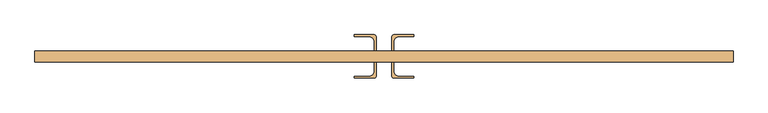
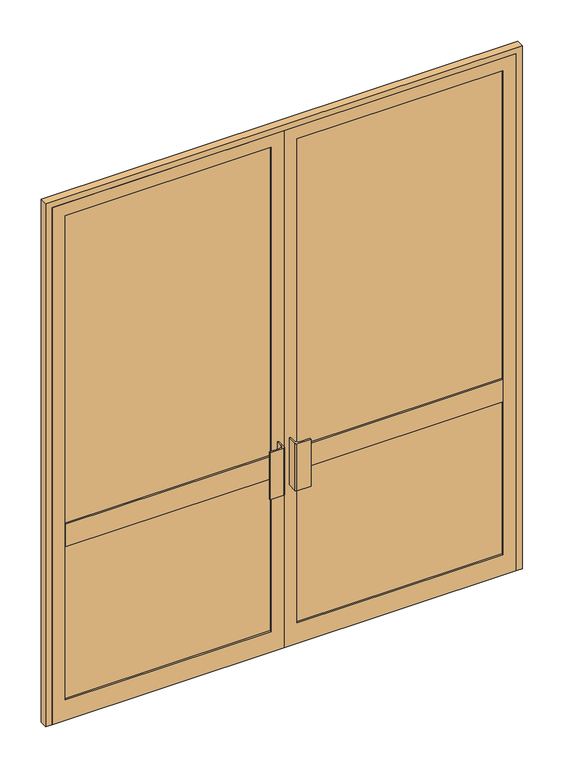
"""IFC4 building model written with IfcOpenShell, lengths in millimetres: door geometry."""

import ifcopenshell
import ifcopenshell.guid

model = None  # the IFC model being written
_history = None  # IfcOwnerHistory: only IFC2X3 demands one
_inside = {}  # id of a spatial element -> (the spatial element, [elements in it])
_under = {}  # id of a project, library or spatial element -> (it, [spatial elements below it])
_declared = {}  # id of a project -> (the project, [libraries it declares])
_typed = {}  # id of a type object -> (the type object, [elements of that type])
_made_of = {}  # id of a material, layer set ... -> (it, [elements and type objects made of it])


def new_model(schema):
    """Start an empty IFC model of exactly this schema.

    Asked for "IFC4X3", IfcOpenShell would pick the latest addendum, in which some entities
    have other attributes; the version numbers below select the first issue.
    IFC2X3 requires an IfcOwnerHistory on every rooted entity: one is made here for all.
    """
    global model, _history
    if schema == "IFC4X3":
        model = ifcopenshell.file(schema_version=(4, 3, 0, 0))
    else:
        model = ifcopenshell.file(schema=schema)
    _inside.clear()
    _under.clear()
    _declared.clear()
    _typed.clear()
    _made_of.clear()
    _history = None
    if model.schema == "IFC2X3":
        org = make("IfcOrganization", Name="unknown")
        user = make(
            "IfcPersonAndOrganization",
            ThePerson=make("IfcPerson", FamilyName="unknown"),
            TheOrganization=org,
        )
        app = make(
            "IfcApplication",
            ApplicationDeveloper=org,
            Version="unknown",
            ApplicationFullName="unknown",
            ApplicationIdentifier="unknown",
        )
        _history = make(
            "IfcOwnerHistory",
            OwningUser=user,
            OwningApplication=app,
            ChangeAction="ADDED",
            CreationDate=0,
        )
    return model


def make(cls, **values):
    """One entity of the class cls with the attributes given. An attribute that is None is left unset."""
    return model.create_entity(
        cls, **{name: value for name, value in values.items() if value is not None}
    )


def rooted(cls, **values):
    """An entity with a GlobalId (a new one), such as an element, a storey or a relation."""
    return make(cls, GlobalId=ifcopenshell.guid.new(), OwnerHistory=_history, **values)


def si_unit(unit_type, name, prefix=None):
    """IfcSIUnit, for example si_unit("LENGTHUNIT", "METRE", prefix="MILLI")."""
    return make("IfcSIUnit", UnitType=unit_type, Prefix=prefix, Name=name)


def assignment(units):
    """IfcUnitAssignment: the units of a project."""
    return None if units is None else make("IfcUnitAssignment", Units=units)


def point(xyz):
    """IfcCartesianPoint."""
    return None if xyz is None else make("IfcCartesianPoint", Coordinates=xyz)


def direction(xyz):
    """IfcDirection."""
    return None if xyz is None else make("IfcDirection", DirectionRatios=xyz)


def frame(location, z_axis=None, x_axis=None):
    """IfcAxis2Placement3D, a coordinate frame: its origin and axes. An axis left out is left unset."""
    return make(
        "IfcAxis2Placement3D",
        Location=point(location),
        Axis=direction(z_axis),
        RefDirection=direction(x_axis),
    )


def frame_2d(location, x_axis=None):
    """IfcAxis2Placement2D, a coordinate frame in the plane: its origin and x axis."""
    return make(
        "IfcAxis2Placement2D", Location=point(location), RefDirection=direction(x_axis)
    )


def origin():
    """The frame at (0, 0, 0) with its axes left unset."""
    return frame((0.0, 0.0, 0.0))


def place(relative_to, where):
    """IfcLocalPlacement: puts the frame where relative to a parent placement (None: the world)."""
    return make(
        "IfcLocalPlacement", PlacementRelTo=relative_to, RelativePlacement=where
    )


def context(
    kind, dimensions, precision=None, world=None, true_north=None, identifier=None
):
    """IfcGeometricRepresentationContext, for example the 3D "Model" context."""
    return make(
        "IfcGeometricRepresentationContext",
        ContextIdentifier=identifier,
        ContextType=kind,
        CoordinateSpaceDimension=dimensions,
        Precision=precision,
        WorldCoordinateSystem=world,
        TrueNorth=true_north,
    )


def project(units=None, contexts=None):
    """IfcProject with its units and contexts."""
    return rooted(
        "IfcProject",
        Name="project",
        RepresentationContexts=contexts,
        UnitsInContext=assignment(units),
    )


def spatial(cls, under=None, at=None, **own):
    """A site, building, storey or space (cls), placed at a placement, below another one or the project."""
    s = rooted(cls, ObjectPlacement=at, **own)
    if under is not None:
        _under.setdefault(under.id(), (under, []))[1].append(s)
    return s


def polyline(points):
    """IfcPolyline through the points."""
    return make("IfcPolyline", Points=[point(p) for p in points])


def circle_curve(where, radius):
    """IfcCircle in the frame where."""
    return make("IfcCircle", Position=where, Radius=radius)


def trimmed(basis, trim1, trim2, sense, master):
    """IfcTrimmedCurve: the piece of a basis curve between two trims."""
    return make(
        "IfcTrimmedCurve",
        BasisCurve=basis,
        Trim1=trim1,
        Trim2=trim2,
        SenseAgreement=sense,
        MasterRepresentation=master,
    )


def segment(curve, same_sense, transition):
    """IfcCompositeCurveSegment."""
    return make(
        "IfcCompositeCurveSegment",
        Transition=transition,
        SameSense=same_sense,
        ParentCurve=curve,
    )


def composite_curve(segments, self_intersect=None):
    """IfcCompositeCurve: segments joined end to end."""
    return make("IfcCompositeCurve", Segments=segments, SelfIntersect=self_intersect)


def outline(outer, holes=None, kind="AREA"):
    """IfcArbitraryClosedProfileDef: a profile drawn as a closed curve; with holes, ...WithVoids."""
    if holes is None:
        return make("IfcArbitraryClosedProfileDef", ProfileType=kind, OuterCurve=outer)
    return make(
        "IfcArbitraryProfileDefWithVoids",
        ProfileType=kind,
        OuterCurve=outer,
        InnerCurves=holes,
    )


def extrude(swept, where, along, depth):
    """IfcExtrudedAreaSolid: the profile swept, set in the frame where, extruded along a direction by depth."""
    return make(
        "IfcExtrudedAreaSolid",
        SweptArea=swept,
        Position=where,
        ExtrudedDirection=direction(along),
        Depth=depth,
    )


def shape(context_of_items, identifier, shape_type, items):
    """IfcShapeRepresentation: the items that make up one representation, for example the "Body"."""
    return make(
        "IfcShapeRepresentation",
        ContextOfItems=context_of_items,
        RepresentationIdentifier=identifier,
        RepresentationType=shape_type,
        Items=items,
    )


def source(mapping_origin, context_of_items, identifier, shape_type, items):
    """IfcRepresentationMap: a shape defined once, which mapped items show again and again."""
    return make(
        "IfcRepresentationMap",
        MappingOrigin=mapping_origin,
        MappedRepresentation=shape(context_of_items, identifier, shape_type, items),
    )


def transform(
    local_origin,
    x_axis=None,
    y_axis=None,
    z_axis=None,
    scale=None,
    scale2=None,
    scale3=None,
    uniform=True,
):
    """IfcCartesianTransformationOperator3D, or its non-uniform kind. x_axis, y_axis, z_axis: its Axis1, 2, 3."""
    if uniform:
        return make(
            "IfcCartesianTransformationOperator3D",
            Axis1=direction(x_axis),
            Axis2=direction(y_axis),
            LocalOrigin=point(local_origin),
            Scale=scale,
            Axis3=direction(z_axis),
        )
    return make(
        "IfcCartesianTransformationOperator3DnonUniform",
        Axis1=direction(x_axis),
        Axis2=direction(y_axis),
        LocalOrigin=point(local_origin),
        Scale=scale,
        Axis3=direction(z_axis),
        Scale2=scale2,
        Scale3=scale3,
    )


def mapped(mapping_source, mapping_target):
    """IfcMappedItem: shows the shape of a source again, moved by a transform."""
    return make(
        "IfcMappedItem", MappingSource=mapping_source, MappingTarget=mapping_target
    )


def made_of(thing, what):
    """Note that an element or type object is made of a material, layer set ...; save() writes the relation."""
    if what is not None:
        _made_of.setdefault(what.id(), (what, []))[1].append(thing)
    return thing


def element(
    cls,
    number,
    at=None,
    inside=None,
    cuts=None,
    type_object=None,
    material=None,
    context=None,
    identifier="Body",
    shape_type=None,
    held_by="IfcProductDefinitionShape",
    body=None,
    shapes=None,
    **own,
):
    """One element of the class cls, such as IfcWall. Its Tag is "e" and its number.

    at: its placement. inside: the storey or other place that contains it. cuts: it is an
    opening in that element (IfcRelVoidsElement). A single representation is given by context,
    identifier, shape_type and body (its items); several are given by shapes. held_by: the class
    of the entity that holds the representations. save() writes the other relations.
    """
    e = rooted(cls, Tag="e%d" % number, ObjectPlacement=at, **own)
    if body is not None:
        shapes = [shape(context, identifier, shape_type, body)]
    if shapes is not None:
        e.Representation = make(held_by, Representations=shapes)
    if inside is not None:
        _inside.setdefault(inside.id(), (inside, []))[1].append(e)
    if cuts is not None:
        rooted(
            "IfcRelVoidsElement", RelatingBuildingElement=cuts, RelatedOpeningElement=e
        )
    if type_object is not None:
        _typed.setdefault(type_object.id(), (type_object, []))[1].append(e)
    return made_of(e, material)


def aggregate(whole, parts):
    """IfcRelAggregates: a whole, such as a stair, and the parts it consists of."""
    return rooted("IfcRelAggregates", RelatingObject=whole, RelatedObjects=parts)


def save(model, path):
    """Write the relations noted so far, then the file.

    IfcRelAggregates (storeys below a building ...), IfcRelContainedInSpatialStructure (elements
    in a storey), IfcRelDefinesByType, IfcRelAssociatesMaterial and IfcRelDeclares: one each for
    every whole, place, type object, material and project.
    """
    for whole, parts in _under.values():
        aggregate(whole, parts)
    for where, things in _inside.values():
        rooted(
            "IfcRelContainedInSpatialStructure",
            RelatedElements=things,
            RelatingStructure=where,
        )
    for kind, things in _typed.values():
        rooted("IfcRelDefinesByType", RelatedObjects=things, RelatingType=kind)
    for what, things in _made_of.values():
        rooted("IfcRelAssociatesMaterial", RelatedObjects=things, RelatingMaterial=what)
    for by, libraries in _declared.values():
        rooted("IfcRelDeclares", RelatingContext=by, RelatedDefinitions=libraries)
    model.write(path)


def door_2b558607(model_context):
    return source(origin(), model_context, "Body", "SweptSolid", [
        extrude(outline(composite_curve([segment(polyline([(-25.0, 17.5), (-30.5, 17.5), (-30.5, 45.0)]), True, "CONTINUOUS"), segment(trimmed(circle_curve(frame_2d((-48.5, 45.0)), 18.0), [point((-30.5, 45.0))], [point((-48.5, 63.0))], True, "CARTESIAN"), True, "CONTINUOUS"), segment(polyline([(-48.5, 63.0), (-94.0, 63.0), (-94.0, 68.5), (-31.0, 68.5)]), True, "CONTINUOUS"), segment(trimmed(circle_curve(frame_2d((-31.0, 62.5)), 6.0), [point((-31.0, 68.5))], [point((-25.0, 62.5))], False, "CARTESIAN"), True, "CONTINUOUS"), segment(polyline([(-25.0, 62.5), (-25.0, 17.5)]), True, "CONTINUOUS")], self_intersect=False)), frame((0.0, 0.0, 785.0), z_axis=(0.0, 0.0, 1.0), x_axis=(1.0, 0.0, 0.0)), (0.0, 0.0, 1.0), 230.0),
        extrude(outline(composite_curve([segment(polyline([(25.0, 17.5), (25.0, 62.5)]), True, "CONTINUOUS"), segment(trimmed(circle_curve(frame_2d((31.0, 62.5)), 6.0), [point((25.0, 62.5))], [point((31.0, 68.5))], False, "CARTESIAN"), True, "CONTINUOUS"), segment(polyline([(31.0, 68.5), (94.0, 68.5), (94.0, 63.0), (48.5, 63.0)]), True, "CONTINUOUS"), segment(trimmed(circle_curve(frame_2d((48.5, 45.0)), 18.0), [point((48.5, 63.0))], [point((30.5, 45.0))], True, "CARTESIAN"), True, "CONTINUOUS"), segment(polyline([(30.5, 45.0), (30.5, 17.5), (25.0, 17.5)]), True, "CONTINUOUS")], self_intersect=False)), frame((0.0, 0.0, 785.0), z_axis=(0.0, 0.0, 1.0), x_axis=(1.0, 0.0, 0.0)), (0.0, 0.0, 1.0), 230.0),
        extrude(outline(composite_curve([segment(polyline([(-25.0, -17.5), (-25.0, -62.5)]), True, "CONTINUOUS"), segment(trimmed(circle_curve(frame_2d((-31.0, -62.5)), 6.0), [point((-25.0, -62.5))], [point((-31.0, -68.5))], False, "CARTESIAN"), True, "CONTINUOUS"), segment(polyline([(-31.0, -68.5), (-94.0, -68.5), (-94.0, -63.0), (-48.5, -63.0)]), True, "CONTINUOUS"), segment(trimmed(circle_curve(frame_2d((-48.5, -45.0)), 18.0), [point((-48.5, -63.0))], [point((-30.5, -45.0))], True, "CARTESIAN"), True, "CONTINUOUS"), segment(polyline([(-30.5, -45.0), (-30.5, -17.5), (-25.0, -17.5)]), True, "CONTINUOUS")], self_intersect=False)), frame((0.0, 0.0, 785.0), z_axis=(0.0, 0.0, 1.0), x_axis=(1.0, 0.0, 0.0)), (0.0, 0.0, 1.0), 230.0),
        extrude(outline(composite_curve([segment(polyline([(25.0, -17.5), (30.5, -17.5), (30.5, -45.0)]), True, "CONTINUOUS"), segment(trimmed(circle_curve(frame_2d((48.5, -45.0)), 18.0), [point((30.5, -45.0))], [point((48.5, -63.0))], True, "CARTESIAN"), True, "CONTINUOUS"), segment(polyline([(48.5, -63.0), (94.0, -63.0), (94.0, -68.5), (31.0, -68.5)]), True, "CONTINUOUS"), segment(trimmed(circle_curve(frame_2d((31.0, -62.5)), 6.0), [point((31.0, -68.5))], [point((25.0, -62.5))], False, "CARTESIAN"), True, "CONTINUOUS"), segment(polyline([(25.0, -62.5), (25.0, -17.5)]), True, "CONTINUOUS")], self_intersect=False)), frame((0.0, 0.0, 785.0), z_axis=(0.0, 0.0, 1.0), x_axis=(1.0, 0.0, 0.0)), (0.0, 0.0, 1.0), 230.0),
        extrude(outline(polyline([(0.0, -1070.0), (0.0, 0.0), (2520.0, 0.0), (2520.0, -1070.0), (0.0, -1070.0)]), holes=[polyline([(100.0, -1010.0), (2460.0, -1010.0), (2460.0, -60.0), (100.0, -60.0), (100.0, -1010.0)])]), frame((0.0, -17.5, 0.0), z_axis=(0.0, 1.0, 0.0), x_axis=(0.0, 0.0, 1.0)), (0.0, 0.0, 1.0), 35.0),
        extrude(outline(polyline([(2520.0, 0.0), (0.0, 0.0), (0.0, 1070.0), (2520.0, 1070.0), (2520.0, 0.0)]), holes=[polyline([(2460.0, 60.0), (2460.0, 1010.0), (100.0, 1010.0), (100.0, 60.0), (2460.0, 60.0)])]), frame((0.0, -17.5, 0.0), z_axis=(0.0, 1.0, 0.0), x_axis=(0.0, 0.0, 1.0)), (0.0, 0.0, 1.0), 35.0),
        extrude(outline(polyline([(-1010.0, 17.5), (-60.0, 17.5), (-60.0, -17.5), (-1010.0, -17.5), (-1010.0, 17.5)])), frame((0.0, 0.0, 845.0), z_axis=(0.0, 0.0, 1.0), x_axis=(1.0, 0.0, 0.0)), (0.0, 0.0, 1.0), 110.0),
        extrude(outline(polyline([(-1010.0, 10.0), (-60.0, 10.0), (-60.0, -10.0), (-1010.0, -10.0), (-1010.0, 10.0)])), frame((0.0, 0.0, 100.0), z_axis=(0.0, 0.0, 1.0), x_axis=(1.0, 0.0, 0.0)), (0.0, 0.0, 1.0), 745.0),
        extrude(outline(polyline([(-1010.0, 10.0), (-60.0, 10.0), (-60.0, -10.0), (-1010.0, -10.0), (-1010.0, 10.0)])), frame((0.0, 0.0, 955.0), z_axis=(0.0, 0.0, 1.0), x_axis=(1.0, 0.0, 0.0)), (0.0, 0.0, 1.0), 1505.0),
        extrude(outline(polyline([(1010.0, -10.0), (60.0, -10.0), (60.0, 10.0), (1010.0, 10.0), (1010.0, -10.0)])), frame((0.0, 0.0, 955.0), z_axis=(0.0, 0.0, 1.0), x_axis=(1.0, 0.0, 0.0)), (0.0, 0.0, 1.0), 1505.0),
        extrude(outline(polyline([(60.0, -10.0), (60.0, 10.0), (1010.0, 10.0), (1010.0, -10.0), (60.0, -10.0)])), frame((0.0, 0.0, 100.0), z_axis=(0.0, 0.0, 1.0), x_axis=(1.0, 0.0, 0.0)), (0.0, 0.0, 1.0), 745.0),
        extrude(outline(polyline([(1010.0, -17.5), (60.0, -17.5), (60.0, 17.5), (1010.0, 17.5), (1010.0, -17.5)])), frame((0.0, 0.0, 845.0), z_axis=(0.0, 0.0, 1.0), x_axis=(1.0, 0.0, 0.0)), (0.0, 0.0, 1.0), 110.0),
        extrude(outline(polyline([(0.0, 1100.0), (2550.0, 1100.0), (2550.0, -1100.0), (0.0, -1100.0), (0.0, -1070.0), (2520.0, -1070.0), (2520.0, 1070.0), (0.0, 1070.0), (0.0, 1100.0)])), frame((0.0, -17.5, 0.0), z_axis=(0.0, 1.0, 0.0), x_axis=(0.0, 0.0, 1.0)), (0.0, 0.0, 1.0), 35.0),
    ])


if __name__ == "__main__":
    model = new_model("IFC4")
    model_context = context("Model", 3, world=origin())
    ifc_project = project(units=[si_unit("LENGTHUNIT", "METRE", prefix="MILLI")], contexts=[model_context])
    site = spatial("IfcSite", under=ifc_project)
    building = spatial("IfcBuilding", under=site)
    placement = place(None, origin())
    door_shape = door_2b558607(model_context)
    element("IfcDoor", 1, at=placement, inside=building, context=model_context, shape_type="MappedRepresentation", body=[
        mapped(door_shape, transform((0.0, 0.0, 0.0), x_axis=(1.0, 0.0, 0.0), y_axis=(0.0, 1.0, 0.0), z_axis=(0.0, 0.0, 1.0))),
    ])
    save(model, "model.ifc")
